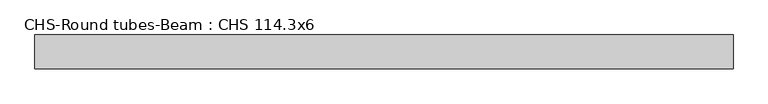
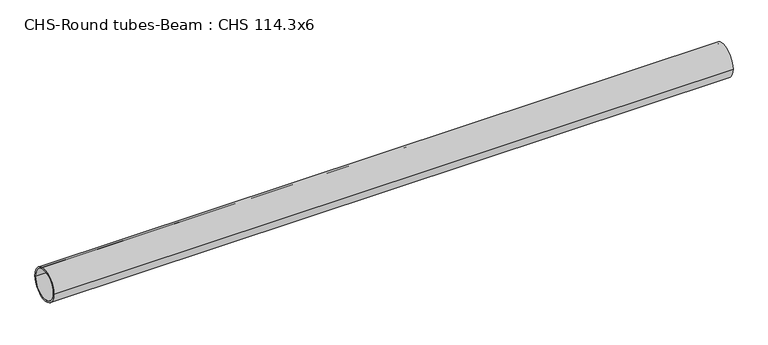
"""IFC4 building model written with IfcOpenShell, lengths in millimetres: beam geometry, CHS-Round tubes-Beam : CHS 114.3x6."""

from ifc_helpers import new_model, si_unit, point, frame, origin, origin_2d, place, context, project, spatial, circle_curve, trimmed, segment, composite_curve, outline, extrude, source, transform, mapped, element, save


def chs_round_tubes_beam_chs_114_3x6_b9a0ba81(model_context):
    return source(origin(), model_context, "Body", "SweptSolid", [
        extrude(outline(composite_curve([segment(trimmed(circle_curve(origin_2d(), 57.15), [point((57.15, 0.0))], [point((-57.15, 0.0))], False, "CARTESIAN"), True, "CONTINUOUS"), segment(trimmed(circle_curve(origin_2d(), 57.15), [point((-57.15, 0.0))], [point((57.15, 0.0))], False, "CARTESIAN"), True, "CONTINUOUS")], self_intersect=False), holes=[composite_curve([segment(trimmed(circle_curve(origin_2d(), 51.15), [point((51.15, 0.0))], [point((-51.15, 0.0))], True, "CARTESIAN"), True, "CONTINUOUS"), segment(trimmed(circle_curve(origin_2d(), 51.15), [point((-51.15, 0.0))], [point((51.15, 0.0))], True, "CARTESIAN"), True, "CONTINUOUS")], self_intersect=False)]), frame((-1134.2957939, 0.0, 0.0), z_axis=(1.0, 0.0, 0.0), x_axis=(0.0, 1.0, 0.0)), (0.0, 0.0, 1.0), 2369.2687577),
    ])


if __name__ == "__main__":
    model = new_model("IFC4")
    model_context = context("Model", 3, world=origin())
    ifc_project = project(units=[si_unit("LENGTHUNIT", "METRE", prefix="MILLI")], contexts=[model_context])
    site = spatial("IfcSite", under=ifc_project)
    building = spatial("IfcBuilding", under=site)
    placement = place(None, origin())
    chs_round_tubes_beam_chs_114_3x6_shape = chs_round_tubes_beam_chs_114_3x6_b9a0ba81(model_context)
    element("IfcBeam", 1, ObjectType="CHS-Round tubes-Beam : CHS 114.3x6", at=placement, inside=building, context=model_context, shape_type="MappedRepresentation", body=[
        mapped(chs_round_tubes_beam_chs_114_3x6_shape, transform((0.0, 0.0, 0.0), x_axis=(1.0, 0.0, 0.0), y_axis=(0.0, 1.0, 0.0), z_axis=(0.0, 0.0, 1.0))),
    ])
    save(model, "model.ifc")
